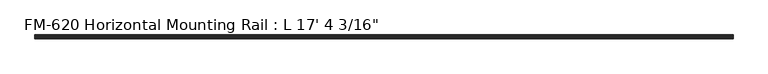
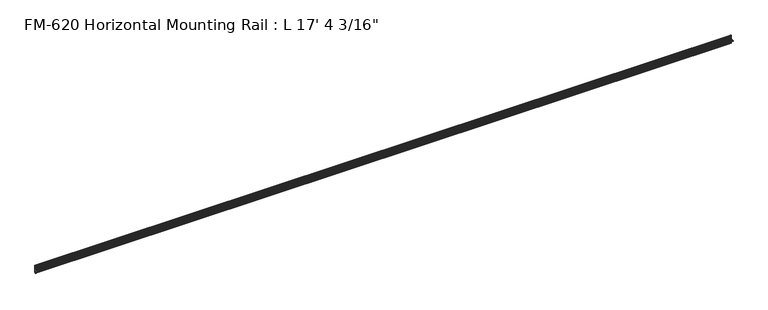
"""IFC4 building model written with IfcOpenShell, lengths in millimetres: proxy geometry."""

from ifc_helpers import new_model, si_unit, frame, origin, place, context, project, spatial, polyline, circle_curve, source, transform, mapped, element, save
from ifc_brep_helpers import plane_surface, cylinder_surface, revolved_surface, advanced_brep


def proxy_7bc789cc(model_context):
    return source(origin(), model_context, "Body", "AdvancedBrep", [
        advanced_brep(
        [(5287.9625, 13.6400687, 32.1158903), (5287.9625, 11.9462301, 30.7938136), (5287.9625, 13.6400687, 26.2967369), (5287.9625, 15.4364113, 25.7360779), (5287.9625, 16.1779173, 26.4138515), (5287.9625, 16.9376166, 27.3612928), (5287.9625, 17.4625, 26.8535734), (5287.9625, 17.4625, 15.6659614), (5287.9625, 17.9716639, 14.7485418), (5287.9625, 17.9716639, 13.408381), (5287.9625, 17.4681023, 12.4909614), (5287.9625, 17.4681023, 3.5082566), (5287.9625, 15.5546988, 1.5948531), (5287.9625, 5.2023289, 1.5948531), (5287.9625, 2.0525552, 1.5948531), (5287.9625, -2.484295, 1.5948531), (5287.9625, -5.633895, 1.5948531), (5287.9625, -9.5043031, 1.5948531), (5287.9625, -9.5043031, 0.0), (5287.9625, -5.633895, 0.0), (5287.9625, -2.484295, 0.0), (5287.9625, 2.0526969, 0.0), (5287.9625, 5.2022969, 0.0), (5287.9625, 15.5575, -0.0227595), (5287.9625, 17.4625, -1.9277595), (5287.9625, 17.4625, -10.9034614), (5287.9625, 17.9716639, -11.820881), (5287.9625, 17.9716639, -13.1610418), (5287.9625, 17.4625, -14.0784614), (5287.9625, 17.4625, -25.2660734), (5287.9625, 16.9376166, -25.7737928), (5287.9625, 16.1779173, -24.8263515), (5287.9625, 15.4364113, -24.1485779), (5287.9625, 13.6400687, -24.7092369), (5287.9625, 11.9462301, -29.2063136), (5287.9625, 13.6400687, -30.5283903), (5287.9625, 15.4750158, -31.1010982), (5287.9625, 16.1549378, -30.6811835), (5287.9625, 16.1549378, -29.1395734), (5287.9625, 17.7424378, -27.5520734), (5287.9625, 19.05, -27.5520734), (5287.9625, 19.05, 0.0), (5287.9625, 19.05, 29.1395734), (5287.9625, 17.7424378, 29.1395734), (5287.9625, 16.1549378, 30.7270734), (5287.9625, 16.1549378, 32.2686835), (5287.9625, 15.4750158, 32.6885982), (0.0, 13.6400687, 32.1158903), (0.0, 15.4750158, 32.6885982), (0.0, 16.1549378, 32.2686835), (0.0, 16.1549378, 30.7270734), (0.0, 17.7424378, 29.1395734), (0.0, 19.05, 29.1395734), (0.0, 19.05, 0.0), (0.0, 19.05, -27.5520734), (0.0, 17.7424378, -27.5520734), (0.0, 16.1549378, -29.1395734), (0.0, 16.1549378, -30.6811835), (0.0, 15.4750158, -31.1010982), (0.0, 13.6400687, -30.5283903), (0.0, 11.9462301, -29.2063136), (0.0, 13.6400687, -24.7092369), (0.0, 15.4364113, -24.1485779), (0.0, 16.1779173, -24.8263515), (0.0, 16.9376166, -25.7737928), (0.0, 17.4625, -25.2660734), (0.0, 17.4625, -14.0784614), (0.0, 17.9716639, -13.1610418), (0.0, 17.9716639, -11.820881), (0.0, 17.4625, -10.9034614), (0.0, 17.4625, -1.9277595), (0.0, 15.5575, -0.0227595), (0.0, 5.2021324, -0.0227595), (0.0, 2.0526969, 0.0), (0.0, -2.484295, 0.0), (0.0, -5.633895, 0.0), (0.0, -9.5043031, 0.0), (0.0, -9.5043031, 1.5948531), (0.0, -5.633895, 1.5948531), (0.0, -2.484295, 1.5948531), (0.0, 2.0525552, 1.5948531), (0.0, 5.2023289, 1.5948531), (0.0, 15.5546988, 1.5948531), (0.0, 17.4681023, 3.5082566), (0.0, 17.4681023, 12.4909614), (0.0, 17.9716639, 13.408381), (0.0, 17.9716639, 14.7485418), (0.0, 17.4625, 15.6659614), (0.0, 17.4625, 26.8535734), (0.0, 16.9376166, 27.3612928), (0.0, 16.1779173, 26.4138515), (0.0, 15.4364113, 25.7360779), (0.0, 13.6400687, 26.2967369), (0.0, 11.9462301, 30.7938136)],
        [
            (0, 1, circle_curve(frame((5287.9625, 14.5481808, 29.2063136), z_axis=(1.0, 0.0, 0.0), x_axis=(0.0, -1.0, 0.0)), 3.048)),
            (1, 2, circle_curve(frame((5287.9625, 14.5481808, 29.2063136), z_axis=(1.0, 0.0, 0.0), x_axis=(0.0, -1.0, 0.0)), 3.048)),
            (2, 3),
            (3, 4, circle_curve(frame((5287.9625, 15.6245238, 26.2747792), z_axis=(1.0, 0.0, 0.0), x_axis=(0.0, -1.0, 0.0)), 0.5706009)),
            (4, 5, circle_curve(frame((5287.9625, 16.9169378, 26.5995734), z_axis=(-1.0, 0.0, 0.0), x_axis=(0.0, -1.0, 0.0)), 0.762)),
            (5, 6, circle_curve(frame((5287.9625, 16.9545, 26.8535734), z_axis=(-1.0, 0.0, 0.0), x_axis=(0.0, -1.0, 0.0)), 0.508)),
            (6, 7),
            (7, 8),
            (8, 9),
            (9, 10),
            (10, 11),
            (11, 12, circle_curve(frame((5287.9625, 15.5546988, 3.5082566), z_axis=(-1.0, 0.0, 0.0), x_axis=(0.0, -1.0, 0.0)), 1.9134035)),
            (12, 13),
            (13, 14, circle_curve(frame((5287.9625, 3.627442, 1.5948531), z_axis=(1.0, 0.0, 0.0), x_axis=(0.0, -1.0, 0.0)), 1.5748869)),
            (14, 15),
            (15, 16, circle_curve(frame((5287.9625, -4.059095, 1.5948531), z_axis=(1.0, 0.0, 0.0), x_axis=(0.0, -1.0, 0.0)), 1.5748)),
            (16, 17),
            (17, 18),
            (18, 19),
            (19, 20, circle_curve(frame((5287.9625, -4.059095, 0.0), z_axis=(1.0, 0.0, 0.0), x_axis=(0.0, -1.0, 0.0)), 1.5748)),
            (20, 21),
            (21, 22, circle_curve(frame((5287.9625, 3.6274969, 0.0), z_axis=(1.0, 0.0, 0.0), x_axis=(0.0, -1.0, 0.0)), 1.5748)),
            (22, 23),
            (23, 24, circle_curve(frame((5287.9625, 15.5575, -1.9277595), z_axis=(-1.0, 0.0, 0.0), x_axis=(0.0, -1.0, 0.0)), 1.905)),
            (24, 25),
            (25, 26),
            (26, 27),
            (27, 28),
            (28, 29),
            (29, 30, circle_curve(frame((5287.9625, 16.9545, -25.2660734), z_axis=(-1.0, 0.0, 0.0), x_axis=(0.0, -1.0, 0.0)), 0.508)),
            (30, 31, circle_curve(frame((5287.9625, 16.9169378, -25.0120734), z_axis=(-1.0, 0.0, 0.0), x_axis=(0.0, -1.0, 0.0)), 0.762)),
            (31, 32, circle_curve(frame((5287.9625, 15.6245238, -24.6872792), z_axis=(1.0, 0.0, 0.0), x_axis=(0.0, -1.0, 0.0)), 0.5706009)),
            (32, 33),
            (33, 34, circle_curve(frame((5287.9625, 14.5481808, -27.6188136), z_axis=(1.0, 0.0, 0.0), x_axis=(0.0, -1.0, 0.0)), 3.048)),
            (34, 35, circle_curve(frame((5287.9625, 14.5481808, -27.6188136), z_axis=(1.0, 0.0, 0.0), x_axis=(0.0, -1.0, 0.0)), 3.048)),
            (35, 36),
            (36, 37, circle_curve(frame((5287.9625, 15.6853088, -30.6811835), z_axis=(1.0, 0.0, 0.0), x_axis=(0.0, -1.0, 0.0)), 0.4696291)),
            (37, 38),
            (38, 39, circle_curve(frame((5287.9625, 17.7424378, -29.1395734), z_axis=(-1.0, 0.0, 0.0), x_axis=(0.0, -1.0, 0.0)), 1.5875)),
            (39, 40),
            (40, 41),
            (41, 42),
            (42, 43),
            (43, 44, circle_curve(frame((5287.9625, 17.7424378, 30.7270734), z_axis=(-1.0, 0.0, 0.0), x_axis=(0.0, -1.0, 0.0)), 1.5875)),
            (44, 45),
            (45, 46, circle_curve(frame((5287.9625, 15.6853088, 32.2686835), z_axis=(1.0, 0.0, 0.0), x_axis=(0.0, -1.0, 0.0)), 0.4696291)),
            (46, 0),
            (47, 48),
            (48, 49, circle_curve(frame((0.0, 15.6853088, 32.2686835), z_axis=(-1.0, 0.0, 0.0), x_axis=(0.0, -1.0, 0.0)), 0.4696291)),
            (49, 50),
            (50, 51, circle_curve(frame((0.0, 17.7424378, 30.7270734), z_axis=(1.0, 0.0, 0.0), x_axis=(0.0, -1.0, 0.0)), 1.5875)),
            (51, 52),
            (52, 53),
            (53, 54),
            (54, 55),
            (55, 56, circle_curve(frame((0.0, 17.7424378, -29.1395734), z_axis=(1.0, 0.0, 0.0), x_axis=(0.0, -1.0, 0.0)), 1.5875)),
            (56, 57),
            (57, 58, circle_curve(frame((0.0, 15.6853088, -30.6811835), z_axis=(-1.0, 0.0, 0.0), x_axis=(0.0, -1.0, 0.0)), 0.4696291)),
            (58, 59),
            (59, 60, circle_curve(frame((0.0, 14.5481808, -27.6188136), z_axis=(-1.0, 0.0, 0.0), x_axis=(0.0, -1.0, 0.0)), 3.048)),
            (60, 61, circle_curve(frame((0.0, 14.5481808, -27.6188136), z_axis=(-1.0, 0.0, 0.0), x_axis=(0.0, -1.0, 0.0)), 3.048)),
            (61, 62),
            (62, 63, circle_curve(frame((0.0, 15.6245238, -24.6872792), z_axis=(-1.0, 0.0, 0.0), x_axis=(0.0, -1.0, 0.0)), 0.5706009)),
            (63, 64, circle_curve(frame((0.0, 16.9169378, -25.0120734), z_axis=(1.0, 0.0, 0.0), x_axis=(0.0, -1.0, 0.0)), 0.762)),
            (64, 65, circle_curve(frame((0.0, 16.9545, -25.2660734), z_axis=(1.0, 0.0, 0.0), x_axis=(0.0, -1.0, 0.0)), 0.508)),
            (65, 66),
            (66, 67),
            (67, 68),
            (68, 69),
            (69, 70),
            (70, 71, circle_curve(frame((0.0, 15.5575, -1.9277595), z_axis=(1.0, 0.0, 0.0), x_axis=(0.0, -1.0, 0.0)), 1.905)),
            (71, 72),
            (72, 73, circle_curve(frame((0.0, 3.6274969, 0.0), z_axis=(-1.0, 0.0, 0.0), x_axis=(0.0, -1.0, 0.0)), 1.5748)),
            (73, 74),
            (74, 75, circle_curve(frame((0.0, -4.059095, 0.0), z_axis=(-1.0, 0.0, 0.0), x_axis=(0.0, -1.0, 0.0)), 1.5748)),
            (75, 76),
            (76, 77),
            (77, 78),
            (78, 79, circle_curve(frame((0.0, -4.059095, 1.5948531), z_axis=(-1.0, 0.0, 0.0), x_axis=(0.0, -1.0, 0.0)), 1.5748)),
            (79, 80),
            (80, 81, circle_curve(frame((0.0, 3.627442, 1.5948531), z_axis=(-1.0, 0.0, 0.0), x_axis=(0.0, -1.0, 0.0)), 1.5748869)),
            (81, 82),
            (82, 83, circle_curve(frame((0.0, 15.5546988, 3.5082566), z_axis=(1.0, 0.0, 0.0), x_axis=(0.0, -1.0, 0.0)), 1.9134035)),
            (83, 84),
            (84, 85),
            (85, 86),
            (86, 87),
            (87, 88),
            (88, 89, circle_curve(frame((0.0, 16.9545, 26.8535734), z_axis=(1.0, 0.0, 0.0), x_axis=(0.0, -1.0, 0.0)), 0.508)),
            (89, 90, circle_curve(frame((0.0, 16.9169378, 26.5995734), z_axis=(1.0, 0.0, 0.0), x_axis=(0.0, -1.0, 0.0)), 0.762)),
            (90, 91, circle_curve(frame((0.0, 15.6245238, 26.2747792), z_axis=(-1.0, 0.0, 0.0), x_axis=(0.0, -1.0, 0.0)), 0.5706009)),
            (91, 92),
            (92, 93, circle_curve(frame((0.0, 14.5481808, 29.2063136), z_axis=(-1.0, 0.0, 0.0), x_axis=(0.0, -1.0, 0.0)), 3.048)),
            (93, 47, circle_curve(frame((0.0, 14.5481808, 29.2063136), z_axis=(-1.0, 0.0, 0.0), x_axis=(0.0, -1.0, 0.0)), 3.048)),
            (47, 0),
            (46, 48),
            (45, 49),
            (44, 50),
            (43, 51),
            (42, 52),
            (41, 53),
            (82, 12),
            (11, 83),
            (10, 84),
            (9, 85),
            (8, 86),
            (7, 87),
            (6, 88),
            (5, 89),
            (4, 90),
            (3, 91),
            (2, 92),
            (1, 93),
            (79, 15),
            (14, 80),
            (40, 54),
            (39, 55),
            (38, 56),
            (37, 57),
            (36, 58),
            (35, 59),
            (34, 60),
            (33, 61),
            (32, 62),
            (31, 63),
            (30, 64),
            (29, 65),
            (28, 66),
            (27, 67),
            (26, 68),
            (25, 69),
            (24, 70),
            (23, 71),
            (22, 72),
            (73, 21),
            (20, 74),
            (81, 13),
            (19, 75),
            (18, 76),
            (17, 77),
            (16, 78),
        ],
        [
            plane_surface(frame((5287.9625, 13.6400687, 32.1158903), z_axis=(1.0000000000000002, 0.0, 0.0), x_axis=(0.0, -0.9545855229405112, -0.29793703930929905))),
            plane_surface(frame((0.0, 13.6400687, 32.1158903), z_axis=(-1.0000000000000002, 0.0, 0.0), x_axis=(0.0, 0.9545855229405112, 0.29793703930929905))),
            plane_surface(frame((0.0, 13.6400687, 32.1158903), z_axis=(0.0, -0.29793703930929905, 0.9545855229405112), x_axis=(1.0, 0.0, 0.0))),
            cylinder_surface(frame((5287.9625, 15.6853088, 32.2686835), z_axis=(-1.0, 0.0, 0.0), x_axis=(0.0, -1.0, 0.0)), 0.4696291),
            plane_surface(frame((0.0, 16.1549378, 32.2686835), z_axis=(0.0, 1.0, 0.0), x_axis=(1.0, 0.0, 0.0))),
            revolved_surface(polyline([(5287.9625, 16.154937800000003, 30.7270734), (0.0, 16.154937800000003, 30.7270734)]), (5287.9625, 17.7424378, 30.7270734), (1.0, 0.0, 0.0)),
            plane_surface(frame((0.0, 17.7424378, 29.1395734), z_axis=(0.0, 0.0, 1.0), x_axis=(1.0, 0.0, 0.0))),
            plane_surface(frame((0.0, 19.05, 29.1395734), z_axis=(0.0, 1.0, 0.0), x_axis=(1.0, 0.0, 0.0))),
            revolved_surface(polyline([(5287.9625, 13.641295300000001, 3.5082566), (0.0, 13.641295300000001, 3.5082566)]), (5287.9625, 15.5546988, 3.5082566), (1.0, 0.0, 0.0)),
            plane_surface(frame((0.0, 17.4681023, 3.5082566), z_axis=(0.0, -1.0, 0.0), x_axis=(1.0, 0.0, 0.0))),
            plane_surface(frame((0.0, 17.4681023, 12.4909614), z_axis=(0.0, -0.8766268538755736, 0.48117082108562426), x_axis=(1.0, 0.0, 0.0))),
            plane_surface(frame((0.0, 17.9716639, 13.408381), z_axis=(0.0, -1.0, 0.0), x_axis=(1.0, 0.0, 0.0))),
            plane_surface(frame((0.0, 17.9716639, 14.7485418), z_axis=(0.0, -0.8743650453416105, -0.4852687579937157), x_axis=(1.0, 0.0, 0.0))),
            plane_surface(frame((0.0, 17.4625, 15.6659614), z_axis=(0.0, -1.0, 0.0), x_axis=(1.0, 0.0, 0.0))),
            revolved_surface(polyline([(5287.9625, 16.4465, 26.8535734), (0.0, 16.4465, 26.8535734)]), (5287.9625, 16.9545, 26.8535734), (1.0, 0.0, 0.0)),
            revolved_surface(polyline([(5287.9625, 16.1549378, 26.5995734), (0.0, 16.1549378, 26.5995734)]), (5287.9625, 16.9169378, 26.5995734), (1.0, 0.0, 0.0)),
            cylinder_surface(frame((5287.9625, 15.6245238, 26.2747792), z_axis=(-1.0, 0.0, 0.0), x_axis=(0.0, -1.0, 0.0)), 0.5706009),
            plane_surface(frame((0.0, 15.4364113, 25.7360779), z_axis=(0.0, -0.2979370393101009, -0.9545855229402609), x_axis=(1.0, 0.0, 0.0))),
            cylinder_surface(frame((5287.9625, 14.5481808, 29.2063136), z_axis=(-1.0, 0.0, 0.0), x_axis=(0.0, -1.0, 0.0)), 3.048),
            plane_surface(frame((0.0, -2.484295, 1.5948531), z_axis=(0.0, 0.0, 1.0), x_axis=(1.0, 0.0, 0.0))),
            plane_surface(frame((0.0, 19.05, 0.0), z_axis=(0.0, 1.0, 0.0), x_axis=(1.0, 0.0, 0.0))),
            plane_surface(frame((0.0, 19.05, -27.5520734), z_axis=(0.0, 0.0, -1.0), x_axis=(1.0, 0.0, 0.0))),
            revolved_surface(polyline([(5287.9625, 16.154937800000003, -29.1395734), (0.0, 16.154937800000003, -29.1395734)]), (5287.9625, 17.7424378, -29.1395734), (1.0, 0.0, 0.0)),
            plane_surface(frame((0.0, 16.1549378, -29.1395734), z_axis=(0.0, 1.0, 0.0), x_axis=(1.0, 0.0, 0.0))),
            cylinder_surface(frame((5287.9625, 15.6853088, -30.6811835), z_axis=(-1.0, 0.0, 0.0), x_axis=(0.0, -1.0, 0.0)), 0.4696291),
            plane_surface(frame((0.0, 15.4750158, -31.1010982), z_axis=(0.0, -0.2979370393090683, -0.9545855229405833), x_axis=(1.0, 0.0, 0.0))),
            cylinder_surface(frame((5287.9625, 14.5481808, -27.6188136), z_axis=(-1.0, 0.0, 0.0), x_axis=(0.0, -1.0, 0.0)), 3.048),
            plane_surface(frame((0.0, 13.6400687, -24.7092369), z_axis=(0.0, -0.2979370393424987, 0.9545855229301492), x_axis=(1.0, 0.0, 0.0))),
            cylinder_surface(frame((5287.9625, 15.6245238, -24.6872792), z_axis=(-1.0, 0.0, 0.0), x_axis=(0.0, -1.0, 0.0)), 0.5706009),
            revolved_surface(polyline([(5287.9625, 16.1549378, -25.0120734), (0.0, 16.1549378, -25.0120734)]), (5287.9625, 16.9169378, -25.0120734), (1.0, 0.0, 0.0)),
            revolved_surface(polyline([(5287.9625, 16.4465, -25.2660734), (0.0, 16.4465, -25.2660734)]), (5287.9625, 16.9545, -25.2660734), (1.0, 0.0, 0.0)),
            plane_surface(frame((0.0, 17.4625, -25.2660734), z_axis=(0.0, -1.0, 0.0), x_axis=(1.0, 0.0, 0.0))),
            plane_surface(frame((0.0, 17.4625, -14.0784614), z_axis=(0.0, -0.8743650443696134, 0.48526875974507594), x_axis=(1.0, 0.0, 0.0))),
            plane_surface(frame((0.0, 17.9716639, -13.1610418), z_axis=(0.0, -1.0, 0.0), x_axis=(1.0, 0.0, 0.0))),
            plane_surface(frame((0.0, 17.9716639, -11.820881), z_axis=(0.0, -0.8743650440122003, -0.48526876038906863), x_axis=(1.0, 0.0, 0.0))),
            plane_surface(frame((0.0, 17.4625, -10.9034614), z_axis=(0.0, -1.0, 0.0), x_axis=(1.0, 0.0, 0.0))),
            revolved_surface(polyline([(5287.9625, 13.6525, -1.9277595), (0.0, 13.6525, -1.9277595)]), (5287.9625, 15.5575, -1.9277595), (1.0, 0.0, 0.0)),
            plane_surface(frame((0.0, 15.5575, -0.0227595), z_axis=(0.0, 0.0, -1.0), x_axis=(1.0, 0.0, 0.0))),
            plane_surface(frame((0.0, 2.0526969, 0.0), z_axis=(0.0, 0.0, -1.0), x_axis=(1.0, 0.0, 0.0))),
            plane_surface(frame((0.0, 5.2023289, 1.5948531), z_axis=(0.0, 0.0, 1.0), x_axis=(1.0, 0.0, 0.0))),
            cylinder_surface(frame((5287.9625, 3.6274969, 0.0), z_axis=(-1.0, 0.0, 0.0), x_axis=(0.0, -1.0, 0.0)), 1.5748),
            cylinder_surface(frame((5287.9625, -4.059095, 0.0), z_axis=(-1.0, 0.0, 0.0), x_axis=(0.0, -1.0, 0.0)), 1.5748),
            plane_surface(frame((0.0, -5.633895, 0.0), z_axis=(0.0, 0.0, -1.0), x_axis=(1.0, 0.0, 0.0))),
            plane_surface(frame((0.0, -9.5043031, 0.0), z_axis=(0.0, -1.0, 0.0), x_axis=(1.0, 0.0, 0.0))),
            plane_surface(frame((0.0, -9.5043031, 1.5948531), z_axis=(0.0, 0.0, 1.0), x_axis=(1.0, 0.0, 0.0))),
            cylinder_surface(frame((5287.9625, -4.059095, 1.5948531), z_axis=(-1.0, 0.0, 0.0), x_axis=(0.0, -1.0, 0.0)), 1.5748),
            cylinder_surface(frame((5287.9625, 3.627442, 1.5948531), z_axis=(-1.0, 0.0, 0.0), x_axis=(0.0, -1.0, 0.0)), 1.5748869),
        ],
        [
            (0, [[1, 2, 3, 4, 5, 6, 7, 8, 9, 10, 11, 12, 13, 14, 15, 16, 17, 18, 19, 20, 21, 22, 23, 24, 25, 26, 27, 28, 29, 30, 31, 32, 33, 34, 35, 36, 37, 38, 39, 40, 41, 42, 43, 44, 45, 46, 47]]),
            (1, [[48, 49, 50, 51, 52, 53, 54, 55, 56, 57, 58, 59, 60, 61, 62, 63, 64, 65, 66, 67, 68, 69, 70, 71, 72, 73, 74, 75, 76, 77, 78, 79, 80, 81, 82, 83, 84, 85, 86, 87, 88, 89, 90, 91, 92, 93, 94]]),
            (2, [[-48, 95, -47, 96]]),
            (3, [[-49, -96, -46, 97]]),
            (4, [[-50, -97, -45, 98]]),
            (5, [[-51, -98, -44, 99]]),
            (6, [[-52, -99, -43, 100]]),
            (7, [[-53, -100, -42, 101]]),
            (8, [[-83, 102, -12, 103]]),
            (9, [[-84, -103, -11, 104]]),
            (10, [[-85, -104, -10, 105]]),
            (11, [[-86, -105, -9, 106]]),
            (12, [[-87, -106, -8, 107]]),
            (13, [[-88, -107, -7, 108]]),
            (14, [[-89, -108, -6, 109]]),
            (15, [[-90, -109, -5, 110]]),
            (16, [[-91, -110, -4, 111]]),
            (17, [[-92, -111, -3, 112]]),
            (18, [[-93, -112, -2, 113]]),
            (18, [[-94, -113, -1, -95]]),
            (19, [[-80, 114, -15, 115]]),
            (20, [[-54, -101, -41, 116]]),
            (21, [[-55, -116, -40, 117]]),
            (22, [[-56, -117, -39, 118]]),
            (23, [[-57, -118, -38, 119]]),
            (24, [[-58, -119, -37, 120]]),
            (25, [[-59, -120, -36, 121]]),
            (26, [[-60, -121, -35, 122]]),
            (26, [[-61, -122, -34, 123]]),
            (27, [[-62, -123, -33, 124]]),
            (28, [[-63, -124, -32, 125]]),
            (29, [[-64, -125, -31, 126]]),
            (30, [[-65, -126, -30, 127]]),
            (31, [[-66, -127, -29, 128]]),
            (32, [[-67, -128, -28, 129]]),
            (33, [[-68, -129, -27, 130]]),
            (34, [[-69, -130, -26, 131]]),
            (35, [[-70, -131, -25, 132]]),
            (36, [[-71, -132, -24, 133]]),
            (37, [[-72, -133, -23, 134]]),
            (38, [[-74, 135, -21, 136]]),
            (39, [[-82, 137, -13, -102]]),
            (40, [[-73, -134, -22, -135]]),
            (41, [[-75, -136, -20, 138]]),
            (42, [[-76, -138, -19, 139]]),
            (43, [[-77, -139, -18, 140]]),
            (44, [[-78, -140, -17, 141]]),
            (45, [[-79, -141, -16, -114]]),
            (46, [[-81, -115, -14, -137]]),
        ],
    ),
    ])


if __name__ == "__main__":
    model = new_model("IFC4")
    model_context = context("Model", 3, world=origin())
    ifc_project = project(units=[si_unit("LENGTHUNIT", "METRE", prefix="MILLI")], contexts=[model_context])
    site = spatial("IfcSite", under=ifc_project)
    building = spatial("IfcBuilding", under=site)
    placement = place(None, origin())
    proxy_shape = proxy_7bc789cc(model_context)
    element("IfcBuildingElementProxy", 1, Name="FM-620 Horizontal Mounting Rail : L 17' 4 3/16\"", ObjectType="FM-620 Horizontal Mounting Rail : L 17' 4 3/16\"", at=placement, inside=building, context=model_context, shape_type="MappedRepresentation", body=[
        mapped(proxy_shape, transform((0.0, 0.0, 0.0), x_axis=(1.0, 0.0, 0.0), y_axis=(0.0, 1.0, 0.0), z_axis=(0.0, 0.0, 1.0))),
    ])
    save(model, "model.ifc")
